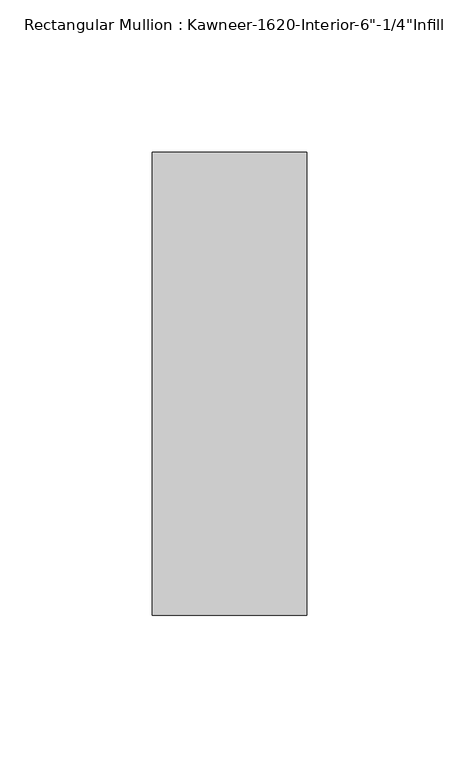
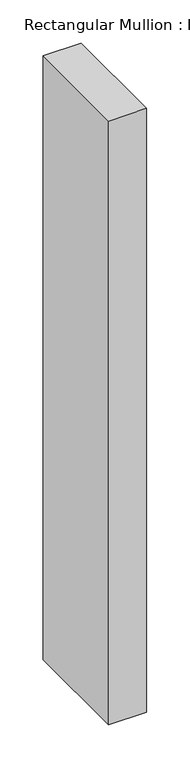
"""IFC4 building model written with IfcOpenShell, lengths in millimetres: member geometry."""

from ifc_helpers import new_model, si_unit, frame, origin, place, context, project, spatial, polyline, outline, extrude, source, transform, mapped, element, save


def member_bab8823f(model_context):
    return source(origin(), model_context, "Body", "SweptSolid", [
        extrude(outline(polyline([(25.4, 123.825), (25.4, -28.575), (-25.4, -28.575), (-25.4, 123.825), (25.4, 123.825)])), frame((0.0, 0.0, -854.075), z_axis=(0.0, 0.0, 1.0), x_axis=(1.0, 0.0, 0.0)), (0.0, 0.0, 1.0), 854.075),
    ])


if __name__ == "__main__":
    model = new_model("IFC4")
    model_context = context("Model", 3, world=origin())
    ifc_project = project(units=[si_unit("LENGTHUNIT", "METRE", prefix="MILLI")], contexts=[model_context])
    site = spatial("IfcSite", under=ifc_project)
    building = spatial("IfcBuilding", under=site)
    placement = place(None, origin())
    member_shape = member_bab8823f(model_context)
    element("IfcMember", 1, ObjectType="Rectangular Mullion : Kawneer-1620-Interior-6\"-1/4\"Infill", at=placement, inside=building, context=model_context, shape_type="MappedRepresentation", body=[
        mapped(member_shape, transform((0.0, 0.0, 0.0), x_axis=(1.0, 0.0, 0.0), y_axis=(0.0, 1.0, 0.0), z_axis=(0.0, 0.0, 1.0))),
    ])
    save(model, "model.ifc")
